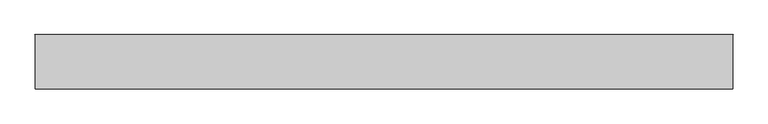
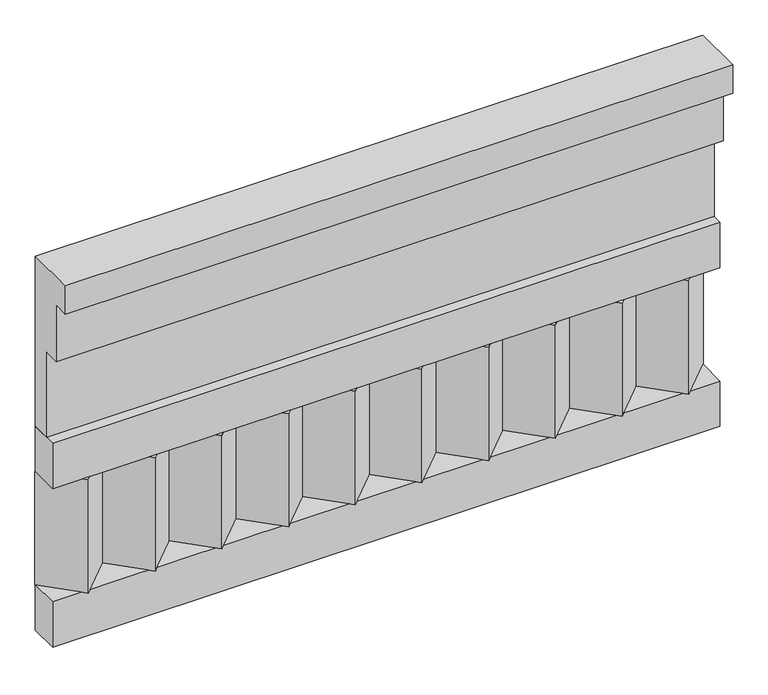
"""IFC4 building model written with IfcOpenShell, lengths in millimetres: railing geometry."""

from ifc_helpers import new_model, si_unit, frame, origin, place, context, project, spatial, polyline, outline, extrude, source, transform, mapped, element, save


def railing_035fd183(model_context):
    return source(origin(), model_context, "Body", "SweptSolid", [
        extrude(outline(polyline([(-16816.8920513, 15205.0), (-16816.8920513, 14755.0), (-16866.8920513, 14755.0), (-16866.8920513, 14980.0), (-16906.8920513, 14980.0), (-16906.8920513, 15130.0), (-16946.8920513, 15130.0), (-16946.8920513, 15205.0), (-16816.8920513, 15205.0)])), frame((29560.0112841, 0.0, 0.0), z_axis=(1.0, 0.0, 0.0), x_axis=(0.0, 1.0, 0.0)), (0.0, 0.0, 1.0), 1670.0),
        extrude(outline(polyline([(29560.0112841, -16891.8920513), (29560.0112841, -16816.8920513), (31230.0112841, -16816.8920513), (31230.0112841, -16891.8920513), (29560.0112841, -16891.8920513)])), frame((0.0, 0.0, 14635.0), z_axis=(0.0, 0.0, 1.0), x_axis=(1.0, 0.0, 0.0)), (0.0, 0.0, 1.0), 120.0),
        extrude(outline(polyline([(29560.0112841, -16891.8920513), (29560.0112841, -16816.8920513), (31230.0112841, -16816.8920513), (31230.0112841, -16891.8920513), (29560.0112841, -16891.8920513)])), frame((0.0, 0.0, 14215.0), z_axis=(0.0, 0.0, 1.0), x_axis=(1.0, 0.0, 0.0)), (0.0, 0.0, 1.0), 120.0),
        extrude(outline(polyline([(31146.5112841, -16901.7448651), (31061.6584704, -16816.8920513), (31231.3640978, -16816.8920513), (31146.5112841, -16901.7448651)])), frame((0.0, 0.0, 14335.0), z_axis=(0.0, 0.0, 1.0), x_axis=(1.0, 0.0, 0.0)), (0.0, 0.0, 1.0), 300.0),
        extrude(outline(polyline([(30979.5112841, -16901.7448651), (30894.6584704, -16816.8920513), (31064.3640978, -16816.8920513), (30979.5112841, -16901.7448651)])), frame((0.0, 0.0, 14335.0), z_axis=(0.0, 0.0, 1.0), x_axis=(1.0, 0.0, 0.0)), (0.0, 0.0, 1.0), 300.0),
        extrude(outline(polyline([(30812.5112841, -16901.7448651), (30727.6584704, -16816.8920513), (30897.3640978, -16816.8920513), (30812.5112841, -16901.7448651)])), frame((0.0, 0.0, 14335.0), z_axis=(0.0, 0.0, 1.0), x_axis=(1.0, 0.0, 0.0)), (0.0, 0.0, 1.0), 300.0),
        extrude(outline(polyline([(30645.5112841, -16901.7448651), (30560.6584704, -16816.8920513), (30730.3640978, -16816.8920513), (30645.5112841, -16901.7448651)])), frame((0.0, 0.0, 14335.0), z_axis=(0.0, 0.0, 1.0), x_axis=(1.0, 0.0, 0.0)), (0.0, 0.0, 1.0), 300.0),
        extrude(outline(polyline([(30478.5112841, -16901.7448651), (30393.6584704, -16816.8920513), (30563.3640978, -16816.8920513), (30478.5112841, -16901.7448651)])), frame((0.0, 0.0, 14335.0), z_axis=(0.0, 0.0, 1.0), x_axis=(1.0, 0.0, 0.0)), (0.0, 0.0, 1.0), 300.0),
        extrude(outline(polyline([(30311.5112841, -16901.7448651), (30226.6584704, -16816.8920513), (30396.3640978, -16816.8920513), (30311.5112841, -16901.7448651)])), frame((0.0, 0.0, 14335.0), z_axis=(0.0, 0.0, 1.0), x_axis=(1.0, 0.0, 0.0)), (0.0, 0.0, 1.0), 300.0),
        extrude(outline(polyline([(30144.5112841, -16901.7448651), (30059.6584704, -16816.8920513), (30229.3640978, -16816.8920513), (30144.5112841, -16901.7448651)])), frame((0.0, 0.0, 14335.0), z_axis=(0.0, 0.0, 1.0), x_axis=(1.0, 0.0, 0.0)), (0.0, 0.0, 1.0), 300.0),
        extrude(outline(polyline([(29977.5112841, -16901.7448651), (29892.6584704, -16816.8920513), (30062.3640978, -16816.8920513), (29977.5112841, -16901.7448651)])), frame((0.0, 0.0, 14335.0), z_axis=(0.0, 0.0, 1.0), x_axis=(1.0, 0.0, 0.0)), (0.0, 0.0, 1.0), 300.0),
        extrude(outline(polyline([(29810.5112841, -16901.7448651), (29725.6584704, -16816.8920513), (29895.3640978, -16816.8920513), (29810.5112841, -16901.7448651)])), frame((0.0, 0.0, 14335.0), z_axis=(0.0, 0.0, 1.0), x_axis=(1.0, 0.0, 0.0)), (0.0, 0.0, 1.0), 300.0),
        extrude(outline(polyline([(29643.5112841, -16901.7448651), (29558.6584704, -16816.8920513), (29728.3640978, -16816.8920513), (29643.5112841, -16901.7448651)])), frame((0.0, 0.0, 14335.0), z_axis=(0.0, 0.0, 1.0), x_axis=(1.0, 0.0, 0.0)), (0.0, 0.0, 1.0), 300.0),
    ])


if __name__ == "__main__":
    model = new_model("IFC4")
    model_context = context("Model", 3, world=origin())
    ifc_project = project(units=[si_unit("LENGTHUNIT", "METRE", prefix="MILLI")], contexts=[model_context])
    site = spatial("IfcSite", under=ifc_project)
    building = spatial("IfcBuilding", under=site)
    placement = place(None, origin())
    railing_shape = railing_035fd183(model_context)
    element("IfcRailing", 1, at=placement, inside=building, context=model_context, shape_type="MappedRepresentation", body=[
        mapped(railing_shape, transform((0.0, 0.0, 0.0), x_axis=(1.0, 0.0, 0.0), y_axis=(0.0, 1.0, 0.0), z_axis=(0.0, 0.0, 1.0))),
    ])
    save(model, "model.ifc")
